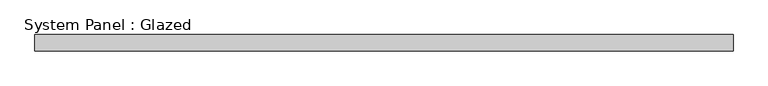
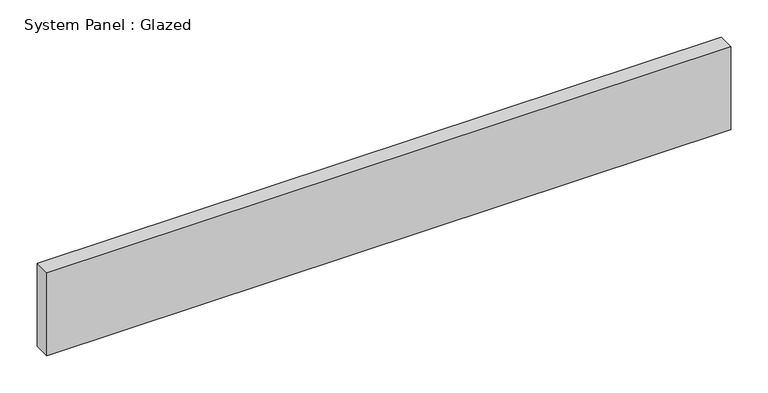
"""IFC4 building model written with IfcOpenShell, lengths in millimetres: plate geometry, System Panel : Glazed."""

from ifc_helpers import new_model, si_unit, origin, origin_with_axes, place, context, project, spatial, polyline, outline, extrude, source, transform, mapped, element, save


def system_panel_glazed_3c038b9f(model_context):
    return source(origin(), model_context, "Body", "SweptSolid", [
        extrude(outline(polyline([(527.0, 24.5), (-527.0, 24.5), (-527.0, 49.5), (527.0, 49.5), (527.0, 24.5)])), origin_with_axes(), (0.0, 0.0, 1.0), 135.0),
    ])


if __name__ == "__main__":
    model = new_model("IFC4")
    model_context = context("Model", 3, world=origin())
    ifc_project = project(units=[si_unit("LENGTHUNIT", "METRE", prefix="MILLI")], contexts=[model_context])
    site = spatial("IfcSite", under=ifc_project)
    building = spatial("IfcBuilding", under=site)
    placement = place(None, origin())
    system_panel_glazed_shape = system_panel_glazed_3c038b9f(model_context)
    element("IfcPlate", 1, ObjectType="System Panel : Glazed", at=placement, inside=building, context=model_context, shape_type="MappedRepresentation", body=[
        mapped(system_panel_glazed_shape, transform((0.0, 0.0, 0.0), x_axis=(1.0, 0.0, 0.0), y_axis=(0.0, 1.0, 0.0), z_axis=(0.0, 0.0, 1.0))),
    ])
    save(model, "model.ifc")
